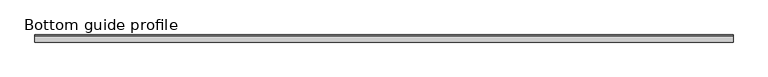
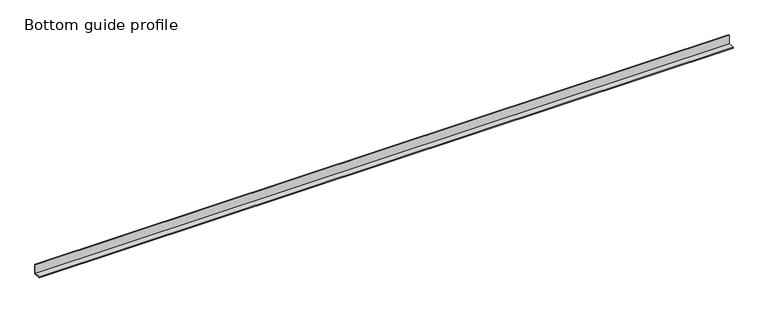
"""IFC4 building model written with IfcOpenShell, lengths in millimetres: proxy geometry, Bottom guide profile."""

from ifc_helpers import new_model, si_unit, frame, origin, place, context, project, spatial, polyline, outline, extrude, source, transform, mapped, element, save


def bottom_guide_profile_9a2b9390(model_context):
    return source(origin(), model_context, "Body", "SweptSolid", [
        extrude(outline(polyline([(0.0, 27.6406783), (0.0, 0.0), (-20.0, 0.0), (-20.0, 2.5046307), (-2.5, 2.5046307), (-2.5, 27.6406783), (0.0, 27.6406783)])), frame((0.0, 0.0, 0.0), z_axis=(1.0, 0.0, 0.0), x_axis=(0.0, 1.0, 0.0)), (0.0, 0.0, 1.0), 1950.0),
    ])


if __name__ == "__main__":
    model = new_model("IFC4")
    model_context = context("Model", 3, world=origin())
    ifc_project = project(units=[si_unit("LENGTHUNIT", "METRE", prefix="MILLI")], contexts=[model_context])
    site = spatial("IfcSite", under=ifc_project)
    building = spatial("IfcBuilding", under=site)
    placement = place(None, origin())
    bottom_guide_profile_shape = bottom_guide_profile_9a2b9390(model_context)
    element("IfcBuildingElementProxy", 1, Name="Bottom guide profile", ObjectType="Bottom guide profile", at=placement, inside=building, context=model_context, shape_type="MappedRepresentation", body=[
        mapped(bottom_guide_profile_shape, transform((0.0, 0.0, 0.0), x_axis=(1.0, 0.0, 0.0), y_axis=(0.0, 1.0, 0.0), z_axis=(0.0, 0.0, 1.0))),
    ])
    save(model, "model.ifc")
